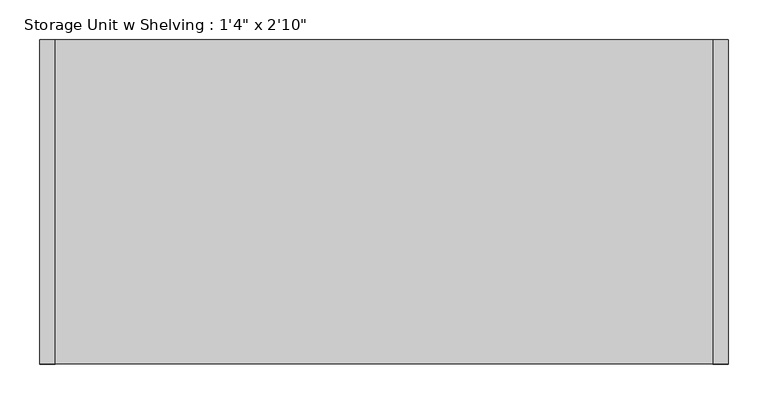
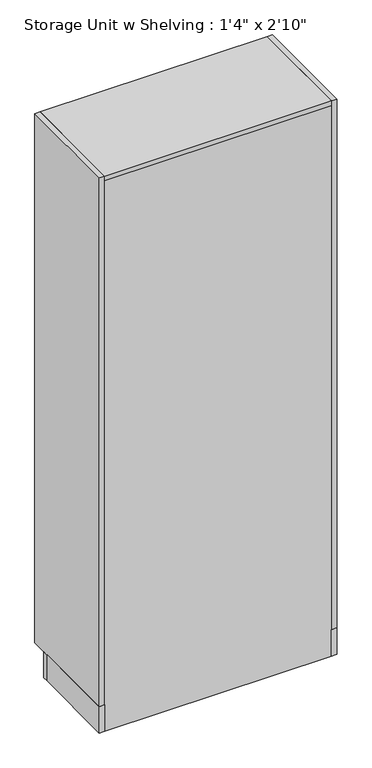
"""IFC4 building model written with IfcOpenShell, lengths in millimetres: furniture geometry."""

from ifc_helpers import new_model, si_unit, frame, origin, origin_with_axes, place, context, project, spatial, polyline, outline, extrude, source, transform, mapped, element, save


def furniture_a7890a34(model_context):
    return source(origin(), model_context, "Body", "SweptSolid", [
        extrude(outline(polyline([(306.990969, 330.2), (326.040969, 330.2), (326.040969, 0.0), (306.990969, 0.0), (306.990969, 330.2)])), origin_with_axes(), (0.0, 0.0, 1.0), 101.6),
        extrude(outline(polyline([(-537.559031, 330.2), (-518.509031, 330.2), (-518.509031, 0.0), (-537.559031, 0.0), (-537.559031, 330.2)])), origin_with_axes(), (0.0, 0.0, 1.0), 101.6),
        extrude(outline(polyline([(306.990969, 19.05), (-518.509031, 19.05), (-518.509031, 406.4), (306.990969, 406.4), (306.990969, 19.05)])), frame((0.0, 0.0, 1625.6), z_axis=(0.0, 0.0, 1.0), x_axis=(1.0, 0.0, 0.0)), (0.0, 0.0, 1.0), 19.05),
        extrude(outline(polyline([(306.990969, 19.05), (-518.509031, 19.05), (-518.509031, 406.4), (306.990969, 406.4), (306.990969, 19.05)])), frame((0.0, 0.0, 1117.6), z_axis=(0.0, 0.0, 1.0), x_axis=(1.0, 0.0, 0.0)), (0.0, 0.0, 1.0), 19.05),
        extrude(outline(polyline([(306.990969, 19.05), (-518.509031, 19.05), (-518.509031, 406.4), (306.990969, 406.4), (306.990969, 19.05)])), frame((0.0, 0.0, 609.6), z_axis=(0.0, 0.0, 1.0), x_axis=(1.0, 0.0, 0.0)), (0.0, 0.0, 1.0), 19.05),
        extrude(outline(polyline([(306.990969, 19.05), (-518.509031, 19.05), (-518.509031, 406.4), (306.990969, 406.4), (306.990969, 19.05)])), frame((0.0, 0.0, 101.6), z_axis=(0.0, 0.0, 1.0), x_axis=(1.0, 0.0, 0.0)), (0.0, 0.0, 1.0), 19.05),
        extrude(outline(polyline([(306.990969, 19.05), (306.990969, 0.0), (-518.509031, 0.0), (-518.509031, 19.05), (306.990969, 19.05)])), origin_with_axes(), (0.0, 0.0, 1.0), 2114.55),
        extrude(outline(polyline([(306.990969, 0.0), (-518.509031, 0.0), (-518.509031, 406.4), (306.990969, 406.4), (306.990969, 0.0)])), frame((0.0, 0.0, 2114.55), z_axis=(0.0, 0.0, 1.0), x_axis=(1.0, 0.0, 0.0)), (0.0, 0.0, 1.0), 19.05),
        extrude(outline(polyline([(306.990969, 406.4), (326.040969, 406.4), (326.040969, 0.0), (306.990969, 0.0), (306.990969, 406.4)])), frame((0.0, 0.0, 101.6), z_axis=(0.0, 0.0, 1.0), x_axis=(1.0, 0.0, 0.0)), (0.0, 0.0, 1.0), 2032.0),
        extrude(outline(polyline([(-537.559031, 406.4), (-518.509031, 406.4), (-518.509031, 0.0), (-537.559031, 0.0), (-537.559031, 406.4)])), frame((0.0, 0.0, 101.6), z_axis=(0.0, 0.0, 1.0), x_axis=(1.0, 0.0, 0.0)), (0.0, 0.0, 1.0), 2032.0),
        extrude(outline(polyline([(-537.559031, 349.25), (326.040969, 349.25), (326.040969, 330.2), (-537.559031, 330.2), (-537.559031, 349.25)])), origin_with_axes(), (0.0, 0.0, 1.0), 101.6),
    ])


if __name__ == "__main__":
    model = new_model("IFC4")
    model_context = context("Model", 3, world=origin())
    ifc_project = project(units=[si_unit("LENGTHUNIT", "METRE", prefix="MILLI")], contexts=[model_context])
    site = spatial("IfcSite", under=ifc_project)
    building = spatial("IfcBuilding", under=site)
    placement = place(None, origin())
    furniture_shape = furniture_a7890a34(model_context)
    element("IfcFurniture", 1, ObjectType="Storage Unit w Shelving : 1'4\" x 2'10\"", at=placement, inside=building, context=model_context, shape_type="MappedRepresentation", body=[
        mapped(furniture_shape, transform((0.0, 0.0, 0.0), x_axis=(1.0, 0.0, 0.0), y_axis=(0.0, 1.0, 0.0), z_axis=(0.0, 0.0, 1.0))),
    ])
    save(model, "model.ifc")
